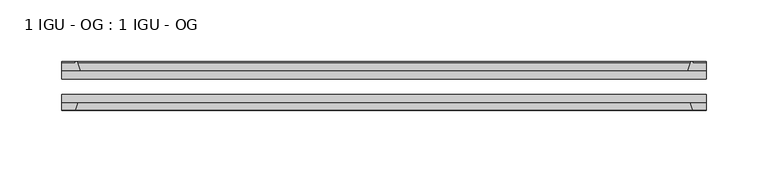
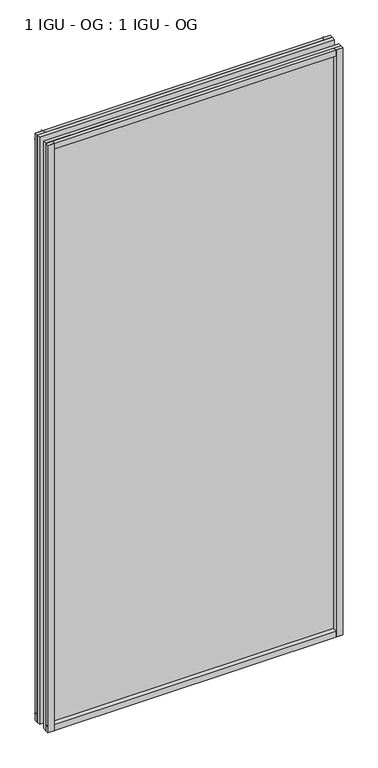
"""IFC4 building model written with IfcOpenShell, lengths in millimetres: plate geometry, 1 IGU - OG : 1 IGU - OG."""

from ifc_helpers import new_model, si_unit, point, frame, frame_2d, origin, place, context, project, spatial, polyline, circle_curve, trimmed, segment, composite_curve, outline, extrude, source, transform, mapped, element, save


def plate_1_igu_og_1_igu_og_fc6f504a(model_context):
    return source(origin(), model_context, "Body", "SweptSolid", [
        extrude(outline(polyline([(261.9375, -31.75), (261.9375, -38.1), (-261.9375, -38.1), (-261.9375, -31.75), (261.9375, -31.75)])), frame((0.0, 0.0, -11.1125), z_axis=(0.0, 0.0, 1.0), x_axis=(1.0, 0.0, 0.0)), (0.0, 0.0, 1.0), 1101.7245636),
        extrude(outline(polyline([(-261.9375, -12.7), (261.9375, -12.7), (261.9375, -19.05), (-261.9375, -19.05), (-261.9375, -12.7)])), frame((0.0, 0.0, -11.1125), z_axis=(0.0, 0.0, 1.0), x_axis=(1.0, 0.0, 0.0)), (0.0, 0.0, 1.0), 1101.7245636),
        extrude(outline(composite_curve([segment(polyline([(-246.6017091, -12.7), (-261.9375, -12.7), (-261.9375, -6.35), (-250.825, -6.35), (-250.825, -4.7751661), (-249.895586, -4.7751661)]), True, "CONTINUOUS"), segment(trimmed(circle_curve(frame_2d((-249.895586, -5.5371661)), 0.762), [point((-249.895586, -4.7751661))], [point((-249.1533761, -5.364631))], False, "CARTESIAN"), True, "CONTINUOUS"), segment(trimmed(circle_curve(frame_2d((-213.5241579, 2.9177851)), 36.5792237), [point((-249.1533761, -5.364631))], [point((-246.6017091, -12.7))], True, "CARTESIAN"), True, "CONTINUOUS")], self_intersect=False)), frame((0.0, 0.0, -11.1125), z_axis=(0.0, 0.0, 1.0), x_axis=(1.0, 0.0, 0.0)), (0.0, 0.0, 1.0), 1101.7245636),
        extrude(outline(polyline([(-261.9375, -38.1), (-248.7197229, -38.1), (-250.825, -44.45), (-261.9375, -44.45), (-261.9375, -38.1)])), frame((0.0, 0.0, -11.1125), z_axis=(0.0, 0.0, 1.0), x_axis=(1.0, 0.0, 0.0)), (0.0, 0.0, 1.0), 1101.7245636),
        extrude(outline(composite_curve([segment(trimmed(circle_curve(frame_2d((249.895586, -5.5371661)), 0.762), [point((249.1533761, -5.364631))], [point((249.895586, -4.7751661))], False, "CARTESIAN"), True, "CONTINUOUS"), segment(polyline([(249.895586, -4.7751661), (250.825, -4.7751661), (250.825, -6.35), (261.9375, -6.35), (261.9375, -12.7), (246.6017091, -12.7)]), True, "CONTINUOUS"), segment(trimmed(circle_curve(frame_2d((213.5241579, 2.9177851)), 36.5792237), [point((246.6017091, -12.7))], [point((249.1533761, -5.364631))], True, "CARTESIAN"), True, "CONTINUOUS")], self_intersect=False)), frame((0.0, 0.0, -11.1125), z_axis=(0.0, 0.0, 1.0), x_axis=(1.0, 0.0, 0.0)), (0.0, 0.0, 1.0), 1101.7245636),
        extrude(outline(polyline([(248.7197229, -38.1), (261.9375, -38.1), (261.9375, -44.45), (250.825, -44.45), (248.7197229, -38.1)])), frame((0.0, 0.0, -11.1125), z_axis=(0.0, 0.0, 1.0), x_axis=(1.0, 0.0, 0.0)), (0.0, 0.0, 1.0), 1101.7245636),
        extrude(outline(composite_curve([segment(polyline([(-12.7, -11.1125), (-12.7, 4.2232909)]), True, "CONTINUOUS"), segment(trimmed(circle_curve(frame_2d((2.9177851, 37.3008421)), 36.5792237), [point((-12.7, 4.2232909))], [point((-5.364631, 1.6716239))], True, "CARTESIAN"), True, "CONTINUOUS"), segment(trimmed(circle_curve(frame_2d((-5.5371661, 0.929414)), 0.762), [point((-5.364631, 1.6716239))], [point((-4.7751661, 0.929414))], False, "CARTESIAN"), True, "CONTINUOUS"), segment(polyline([(-4.7751661, 0.929414), (-4.7751661, 0.0), (-6.35, 0.0), (-6.35, -11.1125), (-12.7, -11.1125)]), True, "CONTINUOUS")], self_intersect=False)), frame((-261.9375, 0.0, 0.0), z_axis=(1.0, 0.0, 0.0), x_axis=(0.0, 1.0, 0.0)), (0.0, 0.0, 1.0), 523.875),
        extrude(outline(polyline([(-38.1, 2.1052771), (-38.1, -11.1125), (-44.45, -11.1125), (-44.45, 0.0), (-38.1, 2.1052771)])), frame((-261.9375, 0.0, 0.0), z_axis=(1.0, 0.0, 0.0), x_axis=(0.0, 1.0, 0.0)), (0.0, 0.0, 1.0), 523.875),
        extrude(outline(composite_curve([segment(trimmed(circle_curve(frame_2d((2.9177851, 1042.1987214)), 36.5792237), [point((-5.364631, 1077.8279397))], [point((-12.7, 1075.2762727))], True, "CARTESIAN"), True, "CONTINUOUS"), segment(polyline([(-12.7, 1075.2762727), (-12.7, 1090.6120636), (-6.35, 1090.6120636), (-6.35, 1079.4995636), (-4.7751661, 1079.4995636), (-4.7751661, 1078.5701496)]), True, "CONTINUOUS"), segment(trimmed(circle_curve(frame_2d((-5.5371661, 1078.5701496)), 0.762), [point((-4.7751661, 1078.5701496))], [point((-5.364631, 1077.8279397))], False, "CARTESIAN"), True, "CONTINUOUS")], self_intersect=False)), frame((-261.9375, 0.0, 0.0), z_axis=(1.0, 0.0, 0.0), x_axis=(0.0, 1.0, 0.0)), (0.0, 0.0, 1.0), 523.875),
        extrude(outline(polyline([(-38.1, 1090.6120636), (-38.1, 1077.3942865), (-44.45, 1079.4995636), (-44.45, 1090.6120636), (-38.1, 1090.6120636)])), frame((-261.9375, 0.0, 0.0), z_axis=(1.0, 0.0, 0.0), x_axis=(0.0, 1.0, 0.0)), (0.0, 0.0, 1.0), 523.875),
    ])


if __name__ == "__main__":
    model = new_model("IFC4")
    model_context = context("Model", 3, world=origin())
    ifc_project = project(units=[si_unit("LENGTHUNIT", "METRE", prefix="MILLI")], contexts=[model_context])
    site = spatial("IfcSite", under=ifc_project)
    building = spatial("IfcBuilding", under=site)
    placement = place(None, origin())
    plate_1_igu_og_1_igu_og_shape = plate_1_igu_og_1_igu_og_fc6f504a(model_context)
    element("IfcPlate", 1, ObjectType="1 IGU - OG : 1 IGU - OG", at=placement, inside=building, context=model_context, shape_type="MappedRepresentation", body=[
        mapped(plate_1_igu_og_1_igu_og_shape, transform((0.0, 0.0, 0.0), x_axis=(1.0, 0.0, 0.0), y_axis=(0.0, 1.0, 0.0), z_axis=(0.0, 0.0, 1.0))),
    ])
    save(model, "model.ifc")
